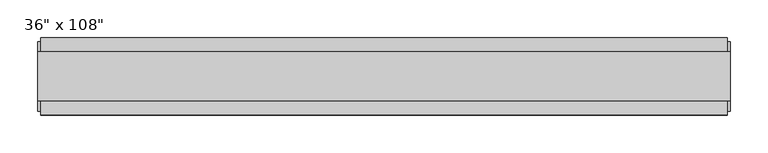
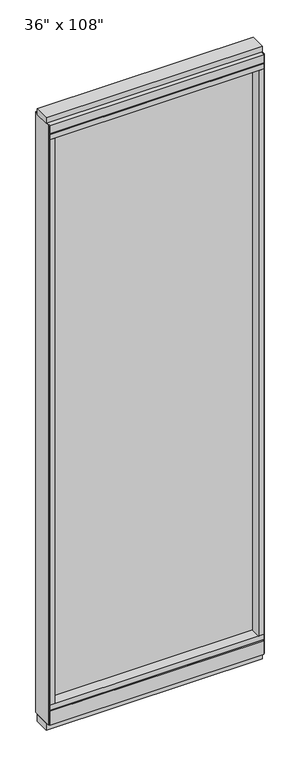
"""IFC4 building model written with IfcOpenShell, lengths in millimetres: furniture geometry."""

from ifc_helpers import new_model, si_unit, frame, origin, origin_with_axes, place, context, project, spatial, polyline, outline, extrude, source, transform, mapped, element, save


def furniture_280d6b8f(model_context):
    return source(origin(), model_context, "Body", "SweptSolid", [
        extrude(outline(polyline([(371.0014771, -9.5977216), (-491.0745229, -9.5977216), (-491.0745229, 0.5622784), (371.0014771, 0.5622784), (371.0014771, -9.5977216)])), frame((0.0, 0.0, 120.523), z_axis=(0.0, 0.0, 1.0), x_axis=(1.0, 0.0, 0.0)), (0.0, 0.0, 1.0), 2533.777),
        extrude(outline(polyline([(-55.3177216, 93.345), (-50.3647216, 93.345), (-50.3647216, 98.298), (41.3292784, 98.298), (41.3292784, 93.345), (46.2822784, 93.345), (46.2822784, 31.75), (-55.3177216, 31.75), (-55.3177216, 93.345)])), frame((-513.2995229, 0.0, 0.0), z_axis=(1.0, 0.0, 0.0), x_axis=(0.0, 1.0, 0.0)), (0.0, 0.0, 1.0), 906.526),
        extrude(outline(polyline([(-513.2995229, -55.3177216), (-513.2995229, 46.2822784), (393.2264771, 46.2822784), (393.2264771, -55.3177216), (-513.2995229, -55.3177216)])), frame((0.0, 0.0, 98.298), z_axis=(0.0, 0.0, 1.0), x_axis=(1.0, 0.0, 0.0)), (0.0, 0.0, 1.0), 22.225),
        extrude(outline(polyline([(397.1634771, 27.9942784), (397.1634771, -37.0297216), (-517.2365229, -37.0297216), (-517.2365229, 27.9942784), (397.1634771, 27.9942784)])), origin_with_axes(), (0.0, 0.0, 1.0), 31.75),
        extrude(outline(polyline([(-517.2365229, -37.0297216), (-517.2365229, 27.9942784), (397.1634771, 27.9942784), (397.1634771, -37.0297216), (-517.2365229, -37.0297216)])), frame((0.0, 0.0, 2717.8), z_axis=(0.0, 0.0, 1.0), x_axis=(1.0, 0.0, 0.0)), (0.0, 0.0, 1.0), 25.4),
        extrude(outline(polyline([(-55.3177216, 2681.478), (-55.3177216, 2717.8), (46.2822784, 2717.8), (46.2822784, 2681.478), (41.3292784, 2681.478), (41.3292784, 2676.525), (-50.3647216, 2676.525), (-50.3647216, 2681.478), (-55.3177216, 2681.478)])), frame((-513.2995229, 0.0, 0.0), z_axis=(1.0, 0.0, 0.0), x_axis=(0.0, 1.0, 0.0)), (0.0, 0.0, 1.0), 906.526),
        extrude(outline(polyline([(393.2264771, 46.2822784), (393.2264771, -55.3177216), (-513.2995229, -55.3177216), (-513.2995229, 46.2822784), (393.2264771, 46.2822784)])), frame((0.0, 0.0, 2654.3), z_axis=(0.0, 0.0, 1.0), x_axis=(1.0, 0.0, 0.0)), (0.0, 0.0, 1.0), 22.225),
        extrude(outline(polyline([(371.0014771, -55.3177216), (371.0014771, 46.2822784), (393.2264771, 46.2822784), (393.2264771, -55.3177216), (371.0014771, -55.3177216)])), frame((0.0, 0.0, 120.523), z_axis=(0.0, 0.0, 1.0), x_axis=(1.0, 0.0, 0.0)), (0.0, 0.0, 1.0), 2533.777),
        extrude(outline(polyline([(-491.0745229, -55.3177216), (-513.2995229, -55.3177216), (-513.2995229, 46.2822784), (-491.0745229, 46.2822784), (-491.0745229, -55.3177216)])), frame((0.0, 0.0, 120.523), z_axis=(0.0, 0.0, 1.0), x_axis=(1.0, 0.0, 0.0)), (0.0, 0.0, 1.0), 2533.777),
        extrude(outline(polyline([(397.1634771, -50.3647216), (393.2264771, -50.3647216), (393.2264771, 41.3292784), (397.1634771, 41.3292784), (397.1634771, -50.3647216)])), frame((0.0, 0.0, 31.75), z_axis=(0.0, 0.0, 1.0), x_axis=(1.0, 0.0, 0.0)), (0.0, 0.0, 1.0), 2686.05),
        extrude(outline(polyline([(-517.2365229, -50.3647216), (-517.2365229, 41.3292784), (-513.2995229, 41.3292784), (-513.2995229, -50.3647216), (-517.2365229, -50.3647216)])), frame((0.0, 0.0, 31.75), z_axis=(0.0, 0.0, 1.0), x_axis=(1.0, 0.0, 0.0)), (0.0, 0.0, 1.0), 2686.05),
    ])


if __name__ == "__main__":
    model = new_model("IFC4")
    model_context = context("Model", 3, world=origin())
    ifc_project = project(units=[si_unit("LENGTHUNIT", "METRE", prefix="MILLI")], contexts=[model_context])
    site = spatial("IfcSite", under=ifc_project)
    building = spatial("IfcBuilding", under=site)
    placement = place(None, origin())
    furniture_shape = furniture_280d6b8f(model_context)
    element("IfcFurniture", 1, ObjectType="36\" x 108\"", at=placement, inside=building, context=model_context, shape_type="MappedRepresentation", body=[
        mapped(furniture_shape, transform((0.0, 0.0, 0.0), x_axis=(1.0, 0.0, 0.0), y_axis=(0.0, 1.0, 0.0), z_axis=(0.0, 0.0, 1.0))),
    ])
    save(model, "model.ifc")
